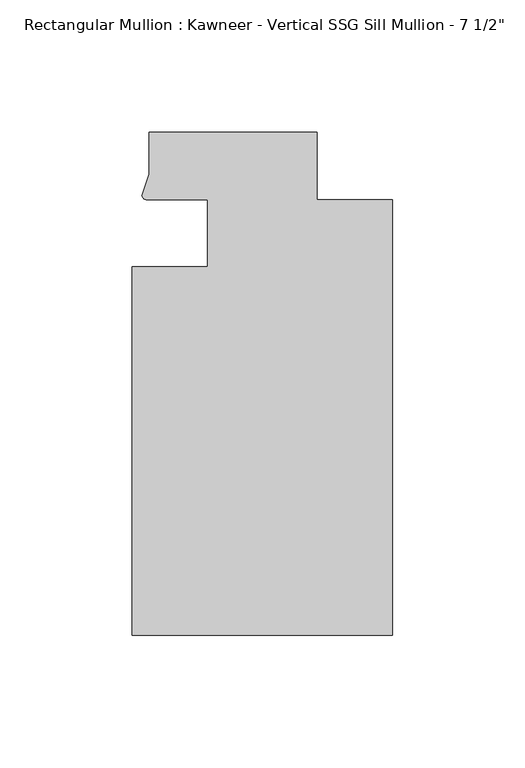
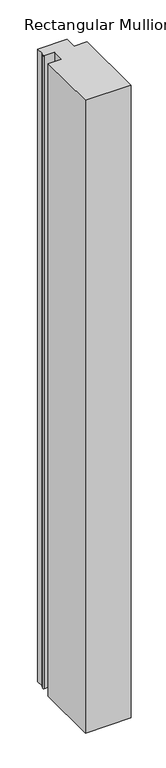
"""IFC4 building model written with IfcOpenShell, lengths in millimetres: member geometry."""

from ifc_helpers import new_model, si_unit, point, frame, frame_2d, origin, place, context, project, spatial, polyline, circle_curve, trimmed, segment, composite_curve, outline, extrude, source, transform, mapped, element, save


def member_1f4dbe81(model_context):
    return source(origin(), model_context, "Body", "SweptSolid", [
        extrude(outline(composite_curve([segment(polyline([(-69.85, -12.7), (-69.85, 12.700061), (-93.1091288, 12.700061)]), True, "CONTINUOUS"), segment(trimmed(circle_curve(frame_2d((-93.0262373, 14.401412)), 1.703369), [point((-93.1091288, 12.700061))], [point((-94.7258552, 14.2884292))], False, "CARTESIAN"), True, "CONTINUOUS"), segment(polyline([(-94.7258552, 14.2884292), (-92.075, 22.2250977), (-92.075, 38.1), (-28.575, 38.1), (-28.575, 12.7), (0.0, 12.7), (0.0, -151.892), (-98.425, -151.892), (-98.425, -12.7), (-69.85, -12.7)]), True, "CONTINUOUS")], self_intersect=False)), frame((0.0, 0.0, -1443.5556369), z_axis=(0.0, 0.0, 1.0), x_axis=(1.0, 0.0, 0.0)), (0.0, 0.0, 1.0), 1443.5556369),
    ])


if __name__ == "__main__":
    model = new_model("IFC4")
    model_context = context("Model", 3, world=origin())
    ifc_project = project(units=[si_unit("LENGTHUNIT", "METRE", prefix="MILLI")], contexts=[model_context])
    site = spatial("IfcSite", under=ifc_project)
    building = spatial("IfcBuilding", under=site)
    placement = place(None, origin())
    member_shape = member_1f4dbe81(model_context)
    element("IfcMember", 1, ObjectType="Rectangular Mullion : Kawneer - Vertical SSG Sill Mullion - 7 1/2\"", at=placement, inside=building, context=model_context, shape_type="MappedRepresentation", body=[
        mapped(member_shape, transform((0.0, 0.0, 0.0), x_axis=(1.0, 0.0, 0.0), y_axis=(0.0, 1.0, 0.0), z_axis=(0.0, 0.0, 1.0))),
    ])
    save(model, "model.ifc")
